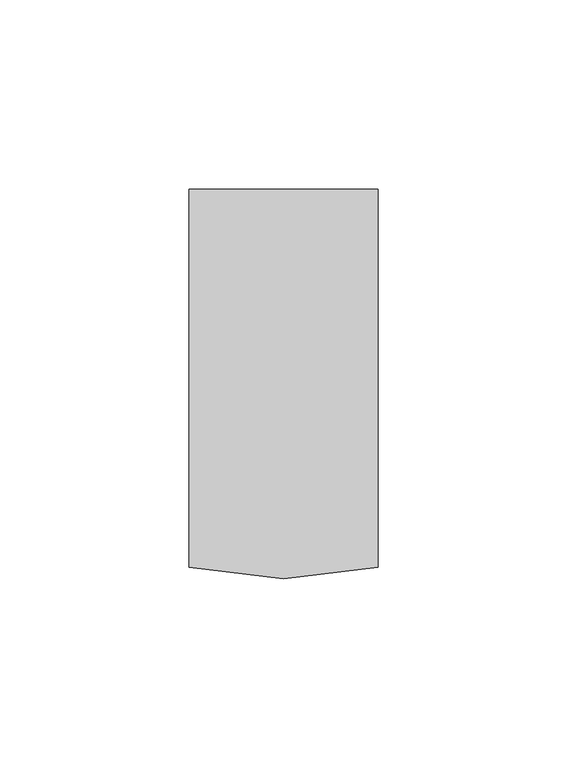
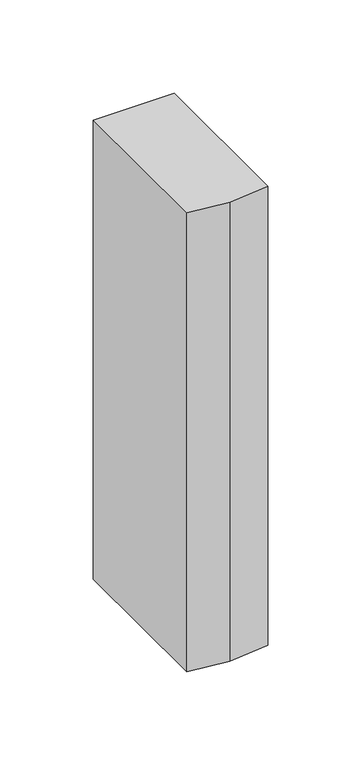
"""IFC4 building model written with IfcOpenShell, lengths in millimetres: member geometry."""

from ifc_helpers import new_model, si_unit, frame, origin, place, context, project, spatial, polyline, outline, extrude, source, transform, mapped, element, save


def member_a733a1fd(model_context):
    return source(origin(), model_context, "Body", "SweptSolid", [
        extrude(outline(polyline([(-50.0, -3.0), (-50.0, 97.0), (0.0, 97.0), (0.0, -3.0), (-25.0, -6.0), (-50.0, -3.0)])), frame((0.0, 0.0, -299.9999997), z_axis=(0.0, 0.0, 1.0), x_axis=(1.0, 0.0, 0.0)), (0.0, 0.0, 1.0), 299.9999997),
    ])


if __name__ == "__main__":
    model = new_model("IFC4")
    model_context = context("Model", 3, world=origin())
    ifc_project = project(units=[si_unit("LENGTHUNIT", "METRE", prefix="MILLI")], contexts=[model_context])
    site = spatial("IfcSite", under=ifc_project)
    building = spatial("IfcBuilding", under=site)
    placement = place(None, origin())
    member_shape = member_a733a1fd(model_context)
    element("IfcMember", 1, at=placement, inside=building, context=model_context, shape_type="MappedRepresentation", body=[
        mapped(member_shape, transform((0.0, 0.0, 0.0), x_axis=(1.0, 0.0, 0.0), y_axis=(0.0, 1.0, 0.0), z_axis=(0.0, 0.0, 1.0))),
    ])
    save(model, "model.ifc")
